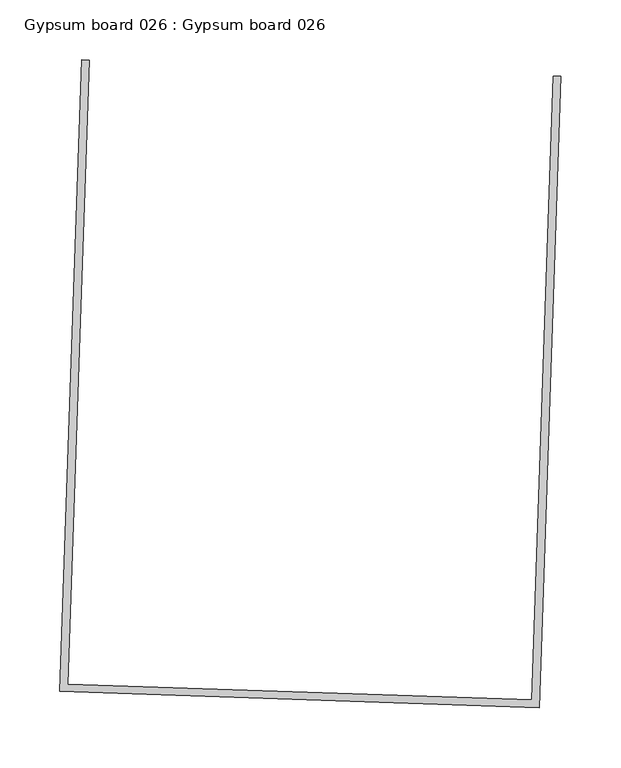
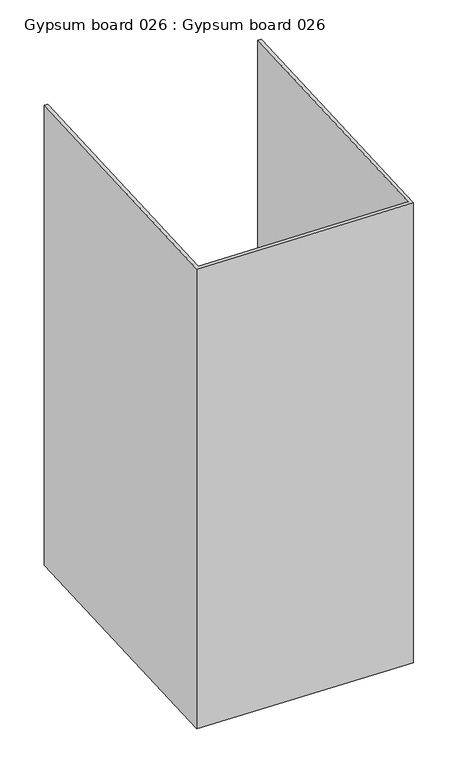
"""IFC4 building model written with IfcOpenShell, lengths in millimetres: proxy geometry, Gypsum board 026 : Gypsum board 026."""

from ifc_helpers import new_model, si_unit, frame, origin, place, context, project, spatial, polyline, outline, extrude, source, transform, mapped, element, save


def gypsum_board_026_gypsum_board_026_3c7a84e5(model_context):
    return source(origin(), model_context, "Body", "SweptSolid", [
        extrude(outline(polyline([(34986.2706351, -15776.5940789), (35004.079503, -15256.1987156), (35010.4257879, -15256.4158969), (34992.3997387, -15783.1575453), (34592.5837887, -15769.4751224), (34610.6098381, -15242.733474), (34616.9561228, -15242.9506555), (34599.1472552, -15763.3460188), (34986.2706351, -15776.5940789)])), frame((0.0, 0.0, 1597.975708), z_axis=(0.0, 0.0, 1.0), x_axis=(1.0, 0.0, 0.0)), (0.0, 0.0, 1.0), 914.4),
    ])


if __name__ == "__main__":
    model = new_model("IFC4")
    model_context = context("Model", 3, world=origin())
    ifc_project = project(units=[si_unit("LENGTHUNIT", "METRE", prefix="MILLI")], contexts=[model_context])
    site = spatial("IfcSite", under=ifc_project)
    building = spatial("IfcBuilding", under=site)
    placement = place(None, origin())
    gypsum_board_026_gypsum_board_026_shape = gypsum_board_026_gypsum_board_026_3c7a84e5(model_context)
    element("IfcBuildingElementProxy", 1, Name="Gypsum board 026 : Gypsum board 026", ObjectType="Gypsum board 026 : Gypsum board 026", at=placement, inside=building, context=model_context, shape_type="MappedRepresentation", body=[
        mapped(gypsum_board_026_gypsum_board_026_shape, transform((0.0, 0.0, 0.0), x_axis=(1.0, 0.0, 0.0), y_axis=(0.0, 1.0, 0.0), z_axis=(0.0, 0.0, 1.0))),
    ])
    save(model, "model.ifc")
